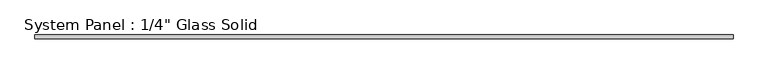
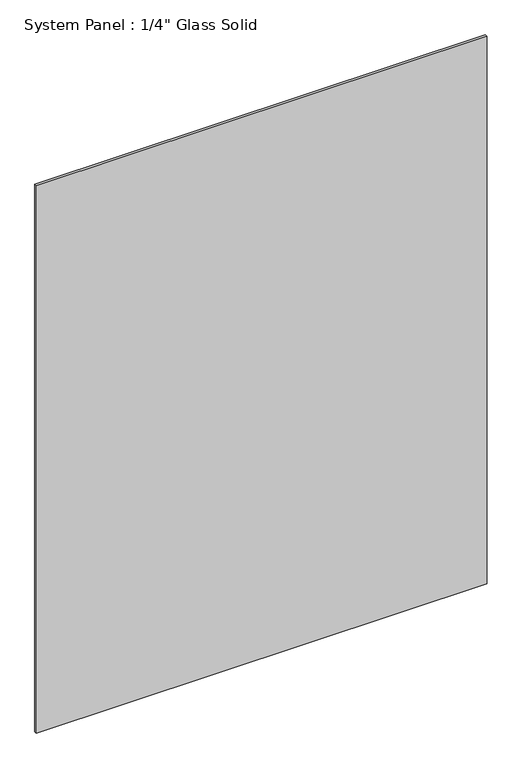
"""IFC4 building model written with IfcOpenShell, lengths in millimetres: plate geometry."""

from ifc_helpers import new_model, si_unit, origin, origin_with_axes, place, context, project, spatial, polyline, outline, extrude, source, transform, mapped, element, save


def plate_0c37a70d(model_context):
    return source(origin(), model_context, "Body", "SweptSolid", [
        extrude(outline(polyline([(565.7305865, -3.175), (-565.7305865, -3.175), (-565.7305865, 3.175), (565.7305865, 3.175), (565.7305865, -3.175)])), origin_with_axes(), (0.0, 0.0, 1.0), 1452.8817704),
    ])


if __name__ == "__main__":
    model = new_model("IFC4")
    model_context = context("Model", 3, world=origin())
    ifc_project = project(units=[si_unit("LENGTHUNIT", "METRE", prefix="MILLI")], contexts=[model_context])
    site = spatial("IfcSite", under=ifc_project)
    building = spatial("IfcBuilding", under=site)
    placement = place(None, origin())
    plate_shape = plate_0c37a70d(model_context)
    element("IfcPlate", 1, ObjectType="System Panel : 1/4\" Glass Solid", at=placement, inside=building, context=model_context, shape_type="MappedRepresentation", body=[
        mapped(plate_shape, transform((0.0, 0.0, 0.0), x_axis=(1.0, 0.0, 0.0), y_axis=(0.0, 1.0, 0.0), z_axis=(0.0, 0.0, 1.0))),
    ])
    save(model, "model.ifc")
